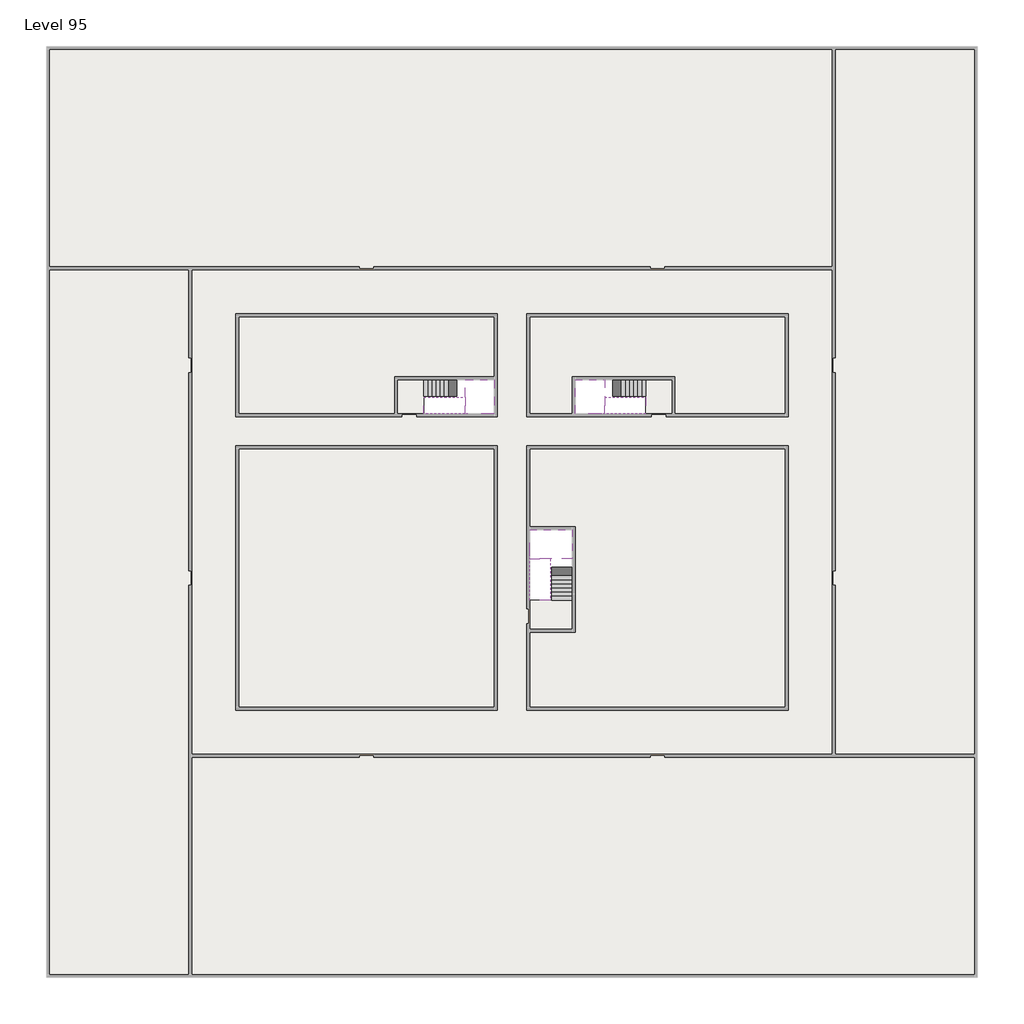
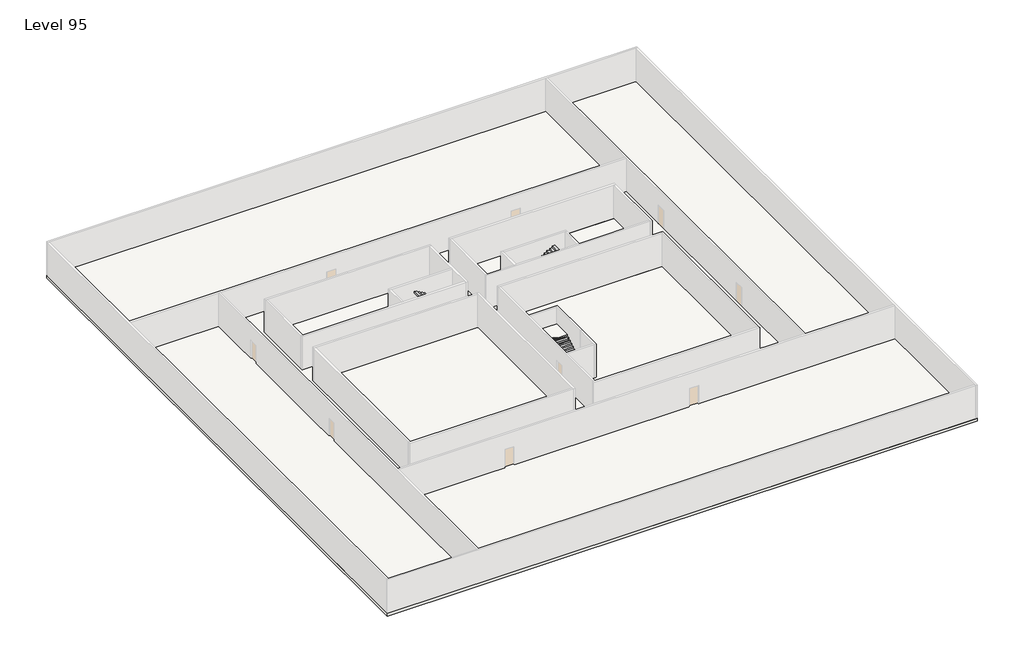
# One storey, part 2 of 2: 6 slabs, 6 stair flights.
"""IFC4 building model written with IfcOpenShell, lengths in millimetres."""

from ifc_helpers import new_model, si_unit, frame, origin, place, context, project, spatial, polyline, outline, extrude, faceted_brep, element, save

model = new_model("IFC4")

# Units and contexts
model_context = context("Model", 3, world=origin())
ifc_project = project(units=[si_unit("LENGTHUNIT", "METRE", prefix="MILLI")], contexts=[model_context])

# Site, building, storey
site = spatial("IfcSite", under=ifc_project)
building = spatial("IfcBuilding", under=site)
storey = spatial("IfcBuildingStorey", under=building, Name="Level 95", Elevation=357200.0)

# Slabs
placement = place(None, origin())
element("IfcSlab", 1, at=placement, inside=storey, context=model_context, shape_type="SweptSolid", body=[
    extrude(outline(polyline([(55890.1058784, -5518.09644), (55890.1058784, -68918.09644), (-7509.8941216, -68918.09644), (-7509.8941216, -5518.09644), (55890.1058784, -5518.09644)]), holes=[polyline([(22990.1058784, -23918.09644), (5590.1058784, -23918.09644), (5590.1058784, -30518.09644), (22990.1058784, -30518.09644), (22990.1058784, -23918.09644)]), polyline([(42990.1058784, -23918.09644), (25390.1058784, -23918.09644), (25390.1058784, -30518.09644), (42990.1058784, -30518.09644), (42990.1058784, -23918.09644)]), polyline([(25390.1058784, -50518.09644), (42790.1058784, -50518.09644), (42790.1058784, -32918.09644), (25390.1058784, -32918.09644), (25390.1058784, -50518.09644)]), polyline([(22990.1058784, -32918.09644), (5590.1058784, -32918.09644), (5590.1058784, -50518.09644), (22990.1058784, -50518.09644), (22990.1058784, -32918.09644)])]), frame((0.0, 0.0, 356900.0), z_axis=(0.0, 0.0, 1.0), x_axis=(1.0, 0.0, 0.0)), (0.0, 0.0, 1.0), 300.0),
])
element("IfcSlab", 2, at=placement, inside=storey, context=model_context, shape_type="SweptSolid", body=[
    extrude(outline(polyline([(22990.1058784, -23918.09644), (22990.1058784, -28018.09644), (16190.1058784, -28018.09644), (16190.1058784, -30518.09644), (5590.1058784, -30518.09644), (5590.1058784, -23918.09644), (22990.1058784, -23918.09644)])), frame((0.0, 0.0, 356900.0), z_axis=(0.0, 0.0, 1.0), x_axis=(1.0, 0.0, 0.0)), (0.0, 0.0, 1.0), 300.0),
    extrude(outline(polyline([(42790.1058784, -23918.09644), (42790.1058784, -30518.09644), (35290.1058784, -30518.09644), (35290.1058784, -28018.09644), (28490.1058784, -28018.09644), (28490.1058784, -30518.09644), (25390.1058784, -30518.09644), (25390.1058784, -23918.09644), (42790.1058784, -23918.09644)])), frame((0.0, 0.0, 356900.0), z_axis=(0.0, 0.0, 1.0), x_axis=(1.0, 0.0, 0.0)), (0.0, 0.0, 1.0), 300.0),
    extrude(outline(polyline([(22990.1058784, -32918.09644), (22990.1058784, -50518.09644), (5590.1058784, -50518.09644), (5590.1058784, -32918.09644), (22990.1058784, -32918.09644)])), frame((0.0, 0.0, 356900.0), z_axis=(0.0, 0.0, 1.0), x_axis=(1.0, 0.0, 0.0)), (0.0, 0.0, 1.0), 300.0),
    extrude(outline(polyline([(25390.1058784, -38218.09644), (25390.1058784, -32918.09644), (42790.1058784, -32918.09644), (42790.1058784, -50518.09644), (25390.1058784, -50518.09644), (25390.1058784, -45418.09644), (28490.1058784, -45418.09644), (28490.1058784, -38218.09644), (25390.1058784, -38218.09644)])), frame((0.0, 0.0, 356900.0), z_axis=(0.0, 0.0, 1.0), x_axis=(1.0, 0.0, 0.0)), (0.0, 0.0, 1.0), 300.0),
])
element("IfcSlab", 3, at=placement, inside=storey, context=model_context, shape_type="Brep", body=[
    faceted_brep([(26890.1058784, -40418.09644, 359100.0), (28290.1058784, -40418.09644, 359100.0), (28290.1058784, -40338.7100038, 359100.0), (28290.1058784, -38418.09644, 359100.0), (25390.1058784, -38418.09644, 359100.0), (25390.1058784, -40217.4828763, 359100.0), (25390.1058784, -40418.09644, 359100.0), (26790.1058784, -40418.09644, 359100.0), (26890.1058784, -40418.09644, 358800.0), (26890.1058784, -40418.09644, 358751.0278478), (28290.1058784, -40418.09644, 358751.0278478), (28290.1058784, -40418.09644, 358927.2727273), (28290.1058784, -40338.7100038, 358800.0), (28290.1058784, -38418.09644, 358800.0), (25390.1058784, -38418.09644, 358800.0), (25390.1058784, -40217.4828763, 358800.0), (25390.1058784, -40418.09644, 358923.7551205), (26790.1058784, -40418.09644, 358923.7551205), (26790.1058784, -40418.09644, 358800.0), (26790.1058784, -40217.4828763, 358800.0), (26890.1058784, -40338.7100038, 358800.0)], [[[0, 1, 2, 3, 4, 5, 6, 7]], [[1, 0, 8, 9, 10, 11]], [[1, 11, 10, 12, 13, 3, 2]], [[4, 3, 13, 14]], [[4, 14, 15, 16, 6, 5]], [[7, 6, 16, 17]], [[0, 7, 17, 18, 8]], [[18, 19, 15, 14, 13, 12, 20, 8]], [[19, 18, 17]], [[20, 12, 10, 9]], [[8, 20, 9]], [[15, 19, 17, 16]]]),
])
element("IfcSlab", 4, at=placement, inside=storey, context=model_context, shape_type="Brep", body=[
    faceted_brep([(20990.1058784, -28218.09644, 359100.0), (20990.1058784, -29318.09644, 359100.0), (20990.1058784, -29418.09644, 359100.0), (20990.1058784, -30518.09644, 359100.0), (21190.7194421, -30518.09644, 359100.0), (22990.1058784, -30518.09644, 359100.0), (22990.1058784, -28218.09644, 359100.0), (21069.4923146, -28218.09644, 359100.0), (20990.1058784, -28218.09644, 358927.2727273), (20990.1058784, -28218.09644, 358751.0278478), (20990.1058784, -29318.09644, 358751.0278478), (20990.1058784, -29318.09644, 358800.0), (20990.1058784, -29418.09644, 358800.0), (20990.1058784, -29418.09644, 358923.7551205), (20990.1058784, -30518.09644, 358923.7551205), (21190.7194421, -30518.09644, 358800.0), (22990.1058784, -30518.09644, 358800.0), (22990.1058784, -28218.09644, 358800.0), (21069.4923146, -28218.09644, 358800.0), (21190.7194421, -29418.09644, 358800.0), (21069.4923146, -29318.09644, 358800.0)], [[[0, 1, 2, 3, 4, 5, 6, 7]], [[1, 0, 8, 9, 10, 11]], [[2, 1, 11, 12, 13]], [[3, 2, 13, 14]], [[3, 14, 15, 16, 5, 4]], [[6, 5, 16, 17]], [[9, 8, 0, 7, 6, 17, 18]], [[19, 12, 11, 20, 18, 17, 16, 15]], [[12, 19, 13]], [[18, 20, 10, 9]], [[20, 11, 10]], [[19, 15, 14, 13]]]),
])
element("IfcSlab", 5, at=placement, inside=storey, context=model_context, shape_type="Brep", body=[
    faceted_brep([(30490.1058784, -29318.09644, 359100.0), (30490.1058784, -28218.09644, 359100.0), (30410.7194421, -28218.09644, 359100.0), (28490.1058784, -28218.09644, 359100.0), (28490.1058784, -30518.09644, 359100.0), (30289.4923146, -30518.09644, 359100.0), (30490.1058784, -30518.09644, 359100.0), (30490.1058784, -29418.09644, 359100.0), (30490.1058784, -29318.09644, 358800.0), (30490.1058784, -29318.09644, 358751.0278478), (30490.1058784, -28218.09644, 358751.0278478), (30490.1058784, -28218.09644, 358927.2727273), (30490.1058784, -29418.09644, 358923.7551205), (30490.1058784, -29418.09644, 358800.0), (30490.1058784, -30518.09644, 358923.7551205), (28490.1058784, -30518.09644, 358800.0), (30289.4923146, -30518.09644, 358800.0), (28490.1058784, -28218.09644, 358800.0), (30410.7194421, -28218.09644, 358800.0), (30289.4923146, -29418.09644, 358800.0), (30410.7194421, -29318.09644, 358800.0)], [[[0, 1, 2, 3, 4, 5, 6, 7]], [[1, 0, 8, 9, 10, 11]], [[0, 7, 12, 13, 8]], [[7, 6, 14, 12]], [[4, 15, 16, 14, 6, 5]], [[4, 3, 17, 15]], [[1, 11, 10, 18, 17, 3, 2]], [[13, 19, 16, 15, 17, 18, 20, 8]], [[20, 18, 10, 9]], [[8, 20, 9]], [[16, 19, 12, 14]], [[19, 13, 12]]]),
])
element("IfcSlab", 6, at=placement, inside=storey, context=model_context, shape_type="SweptSolid", body=[
    extrude(outline(polyline([(35090.1058784, -28218.09644), (35090.1058784, -30518.09644), (33290.1058784, -30518.09644), (33290.1058784, -28218.09644), (35090.1058784, -28218.09644)])), frame((0.0, 0.0, 356900.0), z_axis=(0.0, 0.0, 1.0), x_axis=(1.0, 0.0, 0.0)), (0.0, 0.0, 1.0), 300.0),
    extrude(outline(polyline([(18190.1058784, -28218.09644), (18190.1058784, -30518.09644), (16390.1058784, -30518.09644), (16390.1058784, -28218.09644), (18190.1058784, -28218.09644)])), frame((0.0, 0.0, 356900.0), z_axis=(0.0, 0.0, 1.0), x_axis=(1.0, 0.0, 0.0)), (0.0, 0.0, 1.0), 300.0),
    extrude(outline(polyline([(28290.1058784, -43218.09644), (28290.1058784, -45218.09644), (25390.1058784, -45218.09644), (25390.1058784, -43218.09644), (28290.1058784, -43218.09644)])), frame((0.0, 0.0, 356900.0), z_axis=(0.0, 0.0, 1.0), x_axis=(1.0, 0.0, 0.0)), (0.0, 0.0, 1.0), 300.0),
])

# Stair flights
element("IfcStairFlight", 7, at=placement, inside=storey, context=model_context, shape_type="Brep", body=[
    faceted_brep([(26890.1058784, -42938.09644, 357372.7272727), (26890.1058784, -43218.09644, 357372.7272727), (28290.1058784, -43218.09644, 357372.7272727), (28290.1058784, -42938.09644, 357372.7272727), (26890.1058784, -42938.09644, 357200.0), (26890.1058784, -43218.09644, 357200.0), (28290.1058784, -43218.09644, 357200.0), (28290.1058784, -42938.09644, 357200.0), (26890.1058784, -42658.09644, 357545.4545455), (26890.1058784, -42938.09644, 357545.4545455), (28290.1058784, -42938.09644, 357545.4545455), (28290.1058784, -42658.09644, 357545.4545455), (26890.1058784, -42658.09644, 357369.209666), (26890.1058784, -42932.3942143, 357200.0), (28290.1058784, -42932.3942143, 357200.0), (28290.1058784, -42658.09644, 357369.209666), (26890.1058784, -42378.09644, 357718.1818182), (26890.1058784, -42658.09644, 357718.1818182), (28290.1058784, -42658.09644, 357718.1818182), (28290.1058784, -42378.09644, 357718.1818182), (26890.1058784, -42378.09644, 357541.9369387), (28290.1058784, -42378.09644, 357541.9369387), (26890.1058784, -42098.09644, 357890.9090909), (26890.1058784, -42378.09644, 357890.9090909), (28290.1058784, -42378.09644, 357890.9090909), (28290.1058784, -42098.09644, 357890.9090909), (26890.1058784, -42098.09644, 357714.6642114), (28290.1058784, -42098.09644, 357714.6642114), (26890.1058784, -41818.09644, 358063.6363636), (26890.1058784, -42098.09644, 358063.6363636), (28290.1058784, -42098.09644, 358063.6363636), (28290.1058784, -41818.09644, 358063.6363636), (26890.1058784, -41818.09644, 357887.3914841), (28290.1058784, -41818.09644, 357887.3914841), (26890.1058784, -41538.09644, 358236.3636364), (26890.1058784, -41818.09644, 358236.3636364), (28290.1058784, -41818.09644, 358236.3636364), (28290.1058784, -41538.09644, 358236.3636364), (26890.1058784, -41538.09644, 358060.1187569), (28290.1058784, -41538.09644, 358060.1187569), (26890.1058784, -41258.09644, 358409.0909091), (26890.1058784, -41538.09644, 358409.0909091), (28290.1058784, -41538.09644, 358409.0909091), (28290.1058784, -41258.09644, 358409.0909091), (26890.1058784, -41258.09644, 358232.8460296), (28290.1058784, -41258.09644, 358232.8460296), (26890.1058784, -40978.09644, 358581.8181818), (26890.1058784, -41258.09644, 358581.8181818), (28290.1058784, -41258.09644, 358581.8181818), (28290.1058784, -40978.09644, 358581.8181818), (26890.1058784, -40978.09644, 358405.5733023), (28290.1058784, -40978.09644, 358405.5733023), (26890.1058784, -40698.09644, 358754.5454545), (26890.1058784, -40978.09644, 358754.5454545), (28290.1058784, -40978.09644, 358754.5454545), (28290.1058784, -40698.09644, 358754.5454545), (26890.1058784, -40698.09644, 358578.3005751), (28290.1058784, -40698.09644, 358578.3005751), (26890.1058784, -40418.09644, 358927.2727273), (26890.1058784, -40698.09644, 358927.2727273), (28290.1058784, -40698.09644, 358927.2727273), (28290.1058784, -40418.09644, 358927.2727273), (26890.1058784, -40418.09644, 358800.0), (26890.1058784, -40418.09644, 358751.0278478), (28290.1058784, -40418.09644, 358751.0278478)], [[[0, 1, 2, 3]], [[1, 0, 4, 5]], [[2, 1, 5, 6]], [[3, 2, 6, 7]], [[8, 9, 10, 11]], [[4, 0, 9, 8, 12, 13]], [[0, 3, 10, 9]], [[3, 7, 14, 15, 11, 10]], [[16, 17, 18, 19]], [[17, 16, 20, 12, 8]], [[8, 11, 18, 17]], [[19, 18, 11, 15, 21]], [[22, 23, 24, 25]], [[23, 22, 26, 20, 16]], [[16, 19, 24, 23]], [[25, 24, 19, 21, 27]], [[28, 29, 30, 31]], [[29, 28, 32, 26, 22]], [[22, 25, 30, 29]], [[31, 30, 25, 27, 33]], [[34, 35, 36, 37]], [[35, 34, 38, 32, 28]], [[28, 31, 36, 35]], [[37, 36, 31, 33, 39]], [[40, 41, 42, 43]], [[41, 40, 44, 38, 34]], [[34, 37, 42, 41]], [[43, 42, 37, 39, 45]], [[46, 47, 48, 49]], [[47, 46, 50, 44, 40]], [[40, 43, 48, 47]], [[49, 48, 43, 45, 51]], [[52, 53, 54, 55]], [[53, 52, 56, 50, 46]], [[46, 49, 54, 53]], [[55, 54, 49, 51, 57]], [[58, 59, 60, 61]], [[59, 58, 62, 63, 56, 52]], [[52, 55, 60, 59]], [[61, 60, 55, 57, 64]], [[58, 61, 64, 63, 62]], [[5, 4, 13, 14, 7, 6]], [[14, 13, 12, 20, 26, 32, 38, 44, 50, 56, 63, 64, 57, 51, 45, 39, 33, 27, 21, 15]]]),
])
element("IfcStairFlight", 8, at=placement, inside=storey, context=model_context, shape_type="Brep", body=[
    faceted_brep([(26790.1058784, -40698.09644, 359272.7272727), (26790.1058784, -40418.09644, 359272.7272727), (25390.1058784, -40418.09644, 359272.7272727), (25390.1058784, -40698.09644, 359272.7272727), (26790.1058784, -40698.09644, 359096.4823932), (26790.1058784, -40418.09644, 358923.7551205), (25390.1058784, -40418.09644, 358923.7551205), (25390.1058784, -40418.09644, 359100.0), (25390.1058784, -40698.09644, 359096.4823932), (26790.1058784, -40978.09644, 359445.4545455), (26790.1058784, -40698.09644, 359445.4545455), (25390.1058784, -40698.09644, 359445.4545455), (25390.1058784, -40978.09644, 359445.4545455), (26790.1058784, -40978.09644, 359269.209666), (25390.1058784, -40978.09644, 359269.209666), (26790.1058784, -41258.09644, 359618.1818182), (26790.1058784, -40978.09644, 359618.1818182), (25390.1058784, -40978.09644, 359618.1818182), (25390.1058784, -41258.09644, 359618.1818182), (26790.1058784, -41258.09644, 359441.9369387), (25390.1058784, -41258.09644, 359441.9369387), (26790.1058784, -41538.09644, 359790.9090909), (26790.1058784, -41258.09644, 359790.9090909), (25390.1058784, -41258.09644, 359790.9090909), (25390.1058784, -41538.09644, 359790.9090909), (26790.1058784, -41538.09644, 359614.6642114), (25390.1058784, -41538.09644, 359614.6642114), (26790.1058784, -41818.09644, 359963.6363636), (26790.1058784, -41538.09644, 359963.6363636), (25390.1058784, -41538.09644, 359963.6363636), (25390.1058784, -41818.09644, 359963.6363636), (26790.1058784, -41818.09644, 359787.3914841), (25390.1058784, -41818.09644, 359787.3914841), (26790.1058784, -42098.09644, 360136.3636364), (26790.1058784, -41818.09644, 360136.3636364), (25390.1058784, -41818.09644, 360136.3636364), (25390.1058784, -42098.09644, 360136.3636364), (26790.1058784, -42098.09644, 359960.1187569), (25390.1058784, -42098.09644, 359960.1187569), (26790.1058784, -42378.09644, 360309.0909091), (26790.1058784, -42098.09644, 360309.0909091), (25390.1058784, -42098.09644, 360309.0909091), (25390.1058784, -42378.09644, 360309.0909091), (26790.1058784, -42378.09644, 360132.8460296), (25390.1058784, -42378.09644, 360132.8460296), (26790.1058784, -42658.09644, 360481.8181818), (26790.1058784, -42378.09644, 360481.8181818), (25390.1058784, -42378.09644, 360481.8181818), (25390.1058784, -42658.09644, 360481.8181818), (26790.1058784, -42658.09644, 360305.5733023), (25390.1058784, -42658.09644, 360305.5733023), (26790.1058784, -42938.09644, 360654.5454545), (26790.1058784, -42658.09644, 360654.5454545), (25390.1058784, -42658.09644, 360654.5454545), (25390.1058784, -42938.09644, 360654.5454545), (26790.1058784, -42938.09644, 360478.3005751), (25390.1058784, -42938.09644, 360478.3005751), (26790.1058784, -43218.09644, 360827.2727273), (26790.1058784, -42938.09644, 360827.2727273), (25390.1058784, -42938.09644, 360827.2727273), (25390.1058784, -43218.09644, 360827.2727273), (26790.1058784, -43218.09644, 360651.0278478), (25390.1058784, -43218.09644, 360651.0278478)], [[[0, 1, 2, 3]], [[1, 0, 4, 5]], [[2, 1, 5, 6, 7]], [[3, 2, 7, 6, 8]], [[9, 10, 11, 12]], [[10, 9, 13, 4, 0]], [[11, 10, 0, 3]], [[12, 11, 3, 8, 14]], [[15, 16, 17, 18]], [[16, 15, 19, 13, 9]], [[17, 16, 9, 12]], [[18, 17, 12, 14, 20]], [[21, 22, 23, 24]], [[22, 21, 25, 19, 15]], [[23, 22, 15, 18]], [[24, 23, 18, 20, 26]], [[27, 28, 29, 30]], [[28, 27, 31, 25, 21]], [[29, 28, 21, 24]], [[30, 29, 24, 26, 32]], [[33, 34, 35, 36]], [[34, 33, 37, 31, 27]], [[35, 34, 27, 30]], [[36, 35, 30, 32, 38]], [[39, 40, 41, 42]], [[40, 39, 43, 37, 33]], [[41, 40, 33, 36]], [[42, 41, 36, 38, 44]], [[45, 46, 47, 48]], [[46, 45, 49, 43, 39]], [[47, 46, 39, 42]], [[48, 47, 42, 44, 50]], [[51, 52, 53, 54]], [[52, 51, 55, 49, 45]], [[53, 52, 45, 48]], [[54, 53, 48, 50, 56]], [[57, 58, 59, 60]], [[58, 57, 61, 55, 51]], [[59, 58, 51, 54]], [[60, 59, 54, 56, 62]], [[57, 60, 62, 61]], [[5, 4, 13, 19, 25, 31, 37, 43, 49, 55, 61, 62, 56, 50, 44, 38, 32, 26, 20, 14, 8, 6]]]),
])
element("IfcStairFlight", 9, at=placement, inside=storey, context=model_context, shape_type="Brep", body=[
    faceted_brep([(18470.1058784, -28218.09644, 357372.7272727), (18190.1058784, -28218.09644, 357372.7272727), (18190.1058784, -29318.09644, 357372.7272727), (18470.1058784, -29318.09644, 357372.7272727), (18470.1058784, -28218.09644, 357200.0), (18190.1058784, -28218.09644, 357200.0), (18190.1058784, -29318.09644, 357200.0), (18470.1058784, -29318.09644, 357200.0), (18750.1058784, -28218.09644, 357545.4545455), (18470.1058784, -28218.09644, 357545.4545455), (18470.1058784, -29318.09644, 357545.4545455), (18750.1058784, -29318.09644, 357545.4545455), (18750.1058784, -28218.09644, 357369.209666), (18475.8081041, -28218.09644, 357200.0), (18475.8081041, -29318.09644, 357200.0), (18750.1058784, -29318.09644, 357369.209666), (19030.1058784, -28218.09644, 357718.1818182), (18750.1058784, -28218.09644, 357718.1818182), (18750.1058784, -29318.09644, 357718.1818182), (19030.1058784, -29318.09644, 357718.1818182), (19030.1058784, -28218.09644, 357541.9369387), (19030.1058784, -29318.09644, 357541.9369387), (19310.1058784, -28218.09644, 357890.9090909), (19030.1058784, -28218.09644, 357890.9090909), (19030.1058784, -29318.09644, 357890.9090909), (19310.1058784, -29318.09644, 357890.9090909), (19310.1058784, -28218.09644, 357714.6642114), (19310.1058784, -29318.09644, 357714.6642114), (19590.1058784, -28218.09644, 358063.6363636), (19310.1058784, -28218.09644, 358063.6363636), (19310.1058784, -29318.09644, 358063.6363636), (19590.1058784, -29318.09644, 358063.6363636), (19590.1058784, -28218.09644, 357887.3914841), (19590.1058784, -29318.09644, 357887.3914841), (19870.1058784, -28218.09644, 358236.3636364), (19590.1058784, -28218.09644, 358236.3636364), (19590.1058784, -29318.09644, 358236.3636364), (19870.1058784, -29318.09644, 358236.3636364), (19870.1058784, -28218.09644, 358060.1187569), (19870.1058784, -29318.09644, 358060.1187569), (20150.1058784, -28218.09644, 358409.0909091), (19870.1058784, -28218.09644, 358409.0909091), (19870.1058784, -29318.09644, 358409.0909091), (20150.1058784, -29318.09644, 358409.0909091), (20150.1058784, -28218.09644, 358232.8460296), (20150.1058784, -29318.09644, 358232.8460296), (20430.1058784, -28218.09644, 358581.8181818), (20150.1058784, -28218.09644, 358581.8181818), (20150.1058784, -29318.09644, 358581.8181818), (20430.1058784, -29318.09644, 358581.8181818), (20430.1058784, -28218.09644, 358405.5733023), (20430.1058784, -29318.09644, 358405.5733023), (20710.1058784, -28218.09644, 358754.5454545), (20430.1058784, -28218.09644, 358754.5454545), (20430.1058784, -29318.09644, 358754.5454545), (20710.1058784, -29318.09644, 358754.5454545), (20710.1058784, -28218.09644, 358578.3005751), (20710.1058784, -29318.09644, 358578.3005751), (20990.1058784, -28218.09644, 358927.2727273), (20710.1058784, -28218.09644, 358927.2727273), (20710.1058784, -29318.09644, 358927.2727273), (20990.1058784, -29318.09644, 358927.2727273), (20990.1058784, -28218.09644, 358751.0278478), (20990.1058784, -29318.09644, 358751.0278478), (20990.1058784, -29318.09644, 358800.0)], [[[0, 1, 2, 3]], [[1, 0, 4, 5]], [[2, 1, 5, 6]], [[3, 2, 6, 7]], [[8, 9, 10, 11]], [[4, 0, 9, 8, 12, 13]], [[0, 3, 10, 9]], [[3, 7, 14, 15, 11, 10]], [[16, 17, 18, 19]], [[17, 16, 20, 12, 8]], [[8, 11, 18, 17]], [[19, 18, 11, 15, 21]], [[22, 23, 24, 25]], [[23, 22, 26, 20, 16]], [[16, 19, 24, 23]], [[25, 24, 19, 21, 27]], [[28, 29, 30, 31]], [[29, 28, 32, 26, 22]], [[22, 25, 30, 29]], [[31, 30, 25, 27, 33]], [[34, 35, 36, 37]], [[35, 34, 38, 32, 28]], [[28, 31, 36, 35]], [[37, 36, 31, 33, 39]], [[40, 41, 42, 43]], [[41, 40, 44, 38, 34]], [[34, 37, 42, 41]], [[43, 42, 37, 39, 45]], [[46, 47, 48, 49]], [[47, 46, 50, 44, 40]], [[40, 43, 48, 47]], [[49, 48, 43, 45, 51]], [[52, 53, 54, 55]], [[53, 52, 56, 50, 46]], [[46, 49, 54, 53]], [[55, 54, 49, 51, 57]], [[58, 59, 60, 61]], [[59, 58, 62, 56, 52]], [[52, 55, 60, 59]], [[61, 60, 55, 57, 63, 64]], [[58, 61, 64, 63, 62]], [[5, 4, 13, 14, 7, 6]], [[14, 13, 12, 20, 26, 32, 38, 44, 50, 56, 62, 63, 57, 51, 45, 39, 33, 27, 21, 15]]]),
])
element("IfcStairFlight", 10, at=placement, inside=storey, context=model_context, shape_type="Brep", body=[
    faceted_brep([(20710.1058784, -30518.09644, 359272.7272727), (20990.1058784, -30518.09644, 359272.7272727), (20990.1058784, -29418.09644, 359272.7272727), (20710.1058784, -29418.09644, 359272.7272727), (20710.1058784, -30518.09644, 359096.4823932), (20990.1058784, -30518.09644, 358923.7551205), (20990.1058784, -30518.09644, 359100.0), (20990.1058784, -29418.09644, 358923.7551205), (20710.1058784, -29418.09644, 359096.4823932), (20430.1058784, -30518.09644, 359445.4545455), (20710.1058784, -30518.09644, 359445.4545455), (20710.1058784, -29418.09644, 359445.4545455), (20430.1058784, -29418.09644, 359445.4545455), (20430.1058784, -30518.09644, 359269.209666), (20430.1058784, -29418.09644, 359269.209666), (20150.1058784, -30518.09644, 359618.1818182), (20430.1058784, -30518.09644, 359618.1818182), (20430.1058784, -29418.09644, 359618.1818182), (20150.1058784, -29418.09644, 359618.1818182), (20150.1058784, -30518.09644, 359441.9369387), (20150.1058784, -29418.09644, 359441.9369387), (19870.1058784, -30518.09644, 359790.9090909), (20150.1058784, -30518.09644, 359790.9090909), (20150.1058784, -29418.09644, 359790.9090909), (19870.1058784, -29418.09644, 359790.9090909), (19870.1058784, -30518.09644, 359614.6642114), (19870.1058784, -29418.09644, 359614.6642114), (19590.1058784, -30518.09644, 359963.6363636), (19870.1058784, -30518.09644, 359963.6363636), (19870.1058784, -29418.09644, 359963.6363636), (19590.1058784, -29418.09644, 359963.6363636), (19590.1058784, -30518.09644, 359787.3914841), (19590.1058784, -29418.09644, 359787.3914841), (19310.1058784, -30518.09644, 360136.3636364), (19590.1058784, -30518.09644, 360136.3636364), (19590.1058784, -29418.09644, 360136.3636364), (19310.1058784, -29418.09644, 360136.3636364), (19310.1058784, -30518.09644, 359960.1187569), (19310.1058784, -29418.09644, 359960.1187569), (19030.1058784, -30518.09644, 360309.0909091), (19310.1058784, -30518.09644, 360309.0909091), (19310.1058784, -29418.09644, 360309.0909091), (19030.1058784, -29418.09644, 360309.0909091), (19030.1058784, -30518.09644, 360132.8460296), (19030.1058784, -29418.09644, 360132.8460296), (18750.1058784, -30518.09644, 360481.8181818), (19030.1058784, -30518.09644, 360481.8181818), (19030.1058784, -29418.09644, 360481.8181818), (18750.1058784, -29418.09644, 360481.8181818), (18750.1058784, -30518.09644, 360305.5733023), (18750.1058784, -29418.09644, 360305.5733023), (18470.1058784, -30518.09644, 360654.5454545), (18750.1058784, -30518.09644, 360654.5454545), (18750.1058784, -29418.09644, 360654.5454545), (18470.1058784, -29418.09644, 360654.5454545), (18470.1058784, -30518.09644, 360478.3005751), (18470.1058784, -29418.09644, 360478.3005751), (18190.1058784, -30518.09644, 360827.2727273), (18470.1058784, -30518.09644, 360827.2727273), (18470.1058784, -29418.09644, 360827.2727273), (18190.1058784, -29418.09644, 360827.2727273), (18190.1058784, -30518.09644, 360651.0278478), (18190.1058784, -29418.09644, 360651.0278478)], [[[0, 1, 2, 3]], [[1, 0, 4, 5, 6]], [[2, 1, 6, 5, 7]], [[3, 2, 7, 8]], [[9, 10, 11, 12]], [[10, 9, 13, 4, 0]], [[11, 10, 0, 3]], [[12, 11, 3, 8, 14]], [[15, 16, 17, 18]], [[16, 15, 19, 13, 9]], [[17, 16, 9, 12]], [[18, 17, 12, 14, 20]], [[21, 22, 23, 24]], [[22, 21, 25, 19, 15]], [[23, 22, 15, 18]], [[24, 23, 18, 20, 26]], [[27, 28, 29, 30]], [[28, 27, 31, 25, 21]], [[29, 28, 21, 24]], [[30, 29, 24, 26, 32]], [[33, 34, 35, 36]], [[34, 33, 37, 31, 27]], [[35, 34, 27, 30]], [[36, 35, 30, 32, 38]], [[39, 40, 41, 42]], [[40, 39, 43, 37, 33]], [[41, 40, 33, 36]], [[42, 41, 36, 38, 44]], [[45, 46, 47, 48]], [[46, 45, 49, 43, 39]], [[47, 46, 39, 42]], [[48, 47, 42, 44, 50]], [[51, 52, 53, 54]], [[52, 51, 55, 49, 45]], [[53, 52, 45, 48]], [[54, 53, 48, 50, 56]], [[57, 58, 59, 60]], [[58, 57, 61, 55, 51]], [[59, 58, 51, 54]], [[60, 59, 54, 56, 62]], [[57, 60, 62, 61]], [[5, 4, 13, 19, 25, 31, 37, 43, 49, 55, 61, 62, 56, 50, 44, 38, 32, 26, 20, 14, 8, 7]]]),
])
element("IfcStairFlight", 11, at=placement, inside=storey, context=model_context, shape_type="Brep", body=[
    faceted_brep([(33010.1058784, -29318.09644, 357372.7272727), (33290.1058784, -29318.09644, 357372.7272727), (33290.1058784, -28218.09644, 357372.7272727), (33010.1058784, -28218.09644, 357372.7272727), (33290.1058784, -28218.09644, 357200.0), (33010.1058784, -28218.09644, 357200.0), (33290.1058784, -29318.09644, 357200.0), (33010.1058784, -29318.09644, 357200.0), (32730.1058784, -29318.09644, 357545.4545455), (33010.1058784, -29318.09644, 357545.4545455), (33010.1058784, -28218.09644, 357545.4545455), (32730.1058784, -28218.09644, 357545.4545455), (33004.4036527, -28218.09644, 357200.0), (32730.1058784, -28218.09644, 357369.209666), (32730.1058784, -29318.09644, 357369.209666), (33004.4036527, -29318.09644, 357200.0), (32450.1058784, -29318.09644, 357718.1818182), (32730.1058784, -29318.09644, 357718.1818182), (32730.1058784, -28218.09644, 357718.1818182), (32450.1058784, -28218.09644, 357718.1818182), (32450.1058784, -28218.09644, 357541.9369387), (32450.1058784, -29318.09644, 357541.9369387), (32170.1058784, -29318.09644, 357890.9090909), (32450.1058784, -29318.09644, 357890.9090909), (32450.1058784, -28218.09644, 357890.9090909), (32170.1058784, -28218.09644, 357890.9090909), (32170.1058784, -28218.09644, 357714.6642114), (32170.1058784, -29318.09644, 357714.6642114), (31890.1058784, -29318.09644, 358063.6363636), (32170.1058784, -29318.09644, 358063.6363636), (32170.1058784, -28218.09644, 358063.6363636), (31890.1058784, -28218.09644, 358063.6363636), (31890.1058784, -28218.09644, 357887.3914841), (31890.1058784, -29318.09644, 357887.3914841), (31610.1058784, -29318.09644, 358236.3636364), (31890.1058784, -29318.09644, 358236.3636364), (31890.1058784, -28218.09644, 358236.3636364), (31610.1058784, -28218.09644, 358236.3636364), (31610.1058784, -28218.09644, 358060.1187569), (31610.1058784, -29318.09644, 358060.1187569), (31330.1058784, -29318.09644, 358409.0909091), (31610.1058784, -29318.09644, 358409.0909091), (31610.1058784, -28218.09644, 358409.0909091), (31330.1058784, -28218.09644, 358409.0909091), (31330.1058784, -28218.09644, 358232.8460296), (31330.1058784, -29318.09644, 358232.8460296), (31050.1058784, -29318.09644, 358581.8181818), (31330.1058784, -29318.09644, 358581.8181818), (31330.1058784, -28218.09644, 358581.8181818), (31050.1058784, -28218.09644, 358581.8181818), (31050.1058784, -28218.09644, 358405.5733023), (31050.1058784, -29318.09644, 358405.5733023), (30770.1058784, -29318.09644, 358754.5454545), (31050.1058784, -29318.09644, 358754.5454545), (31050.1058784, -28218.09644, 358754.5454545), (30770.1058784, -28218.09644, 358754.5454545), (30770.1058784, -28218.09644, 358578.3005751), (30770.1058784, -29318.09644, 358578.3005751), (30490.1058784, -29318.09644, 358927.2727273), (30770.1058784, -29318.09644, 358927.2727273), (30770.1058784, -28218.09644, 358927.2727273), (30490.1058784, -28218.09644, 358927.2727273), (30490.1058784, -28218.09644, 358751.0278478), (30490.1058784, -29318.09644, 358800.0), (30490.1058784, -29318.09644, 358751.0278478)], [[[0, 1, 2, 3]], [[3, 2, 4, 5]], [[2, 1, 6, 4]], [[1, 0, 7, 6]], [[8, 9, 10, 11]], [[3, 5, 12, 13, 11, 10]], [[0, 3, 10, 9]], [[7, 0, 9, 8, 14, 15]], [[16, 17, 18, 19]], [[19, 18, 11, 13, 20]], [[8, 11, 18, 17]], [[17, 16, 21, 14, 8]], [[22, 23, 24, 25]], [[25, 24, 19, 20, 26]], [[16, 19, 24, 23]], [[23, 22, 27, 21, 16]], [[28, 29, 30, 31]], [[31, 30, 25, 26, 32]], [[22, 25, 30, 29]], [[29, 28, 33, 27, 22]], [[34, 35, 36, 37]], [[37, 36, 31, 32, 38]], [[28, 31, 36, 35]], [[35, 34, 39, 33, 28]], [[40, 41, 42, 43]], [[43, 42, 37, 38, 44]], [[34, 37, 42, 41]], [[41, 40, 45, 39, 34]], [[46, 47, 48, 49]], [[49, 48, 43, 44, 50]], [[40, 43, 48, 47]], [[47, 46, 51, 45, 40]], [[52, 53, 54, 55]], [[55, 54, 49, 50, 56]], [[46, 49, 54, 53]], [[53, 52, 57, 51, 46]], [[58, 59, 60, 61]], [[61, 60, 55, 56, 62]], [[52, 55, 60, 59]], [[59, 58, 63, 64, 57, 52]], [[58, 61, 62, 64, 63]], [[6, 7, 15, 12, 5, 4]], [[12, 15, 14, 21, 27, 33, 39, 45, 51, 57, 64, 62, 56, 50, 44, 38, 32, 26, 20, 13]]]),
])
element("IfcStairFlight", 12, at=placement, inside=storey, context=model_context, shape_type="Brep", body=[
    faceted_brep([(30770.1058784, -29418.09644, 359272.7272727), (30490.1058784, -29418.09644, 359272.7272727), (30490.1058784, -30518.09644, 359272.7272727), (30770.1058784, -30518.09644, 359272.7272727), (30490.1058784, -30518.09644, 359100.0), (30490.1058784, -30518.09644, 358923.7551205), (30770.1058784, -30518.09644, 359096.4823932), (30490.1058784, -29418.09644, 358923.7551205), (30770.1058784, -29418.09644, 359096.4823932), (31050.1058784, -29418.09644, 359445.4545455), (30770.1058784, -29418.09644, 359445.4545455), (30770.1058784, -30518.09644, 359445.4545455), (31050.1058784, -30518.09644, 359445.4545455), (31050.1058784, -30518.09644, 359269.209666), (31050.1058784, -29418.09644, 359269.209666), (31330.1058784, -29418.09644, 359618.1818182), (31050.1058784, -29418.09644, 359618.1818182), (31050.1058784, -30518.09644, 359618.1818182), (31330.1058784, -30518.09644, 359618.1818182), (31330.1058784, -30518.09644, 359441.9369387), (31330.1058784, -29418.09644, 359441.9369387), (31610.1058784, -29418.09644, 359790.9090909), (31330.1058784, -29418.09644, 359790.9090909), (31330.1058784, -30518.09644, 359790.9090909), (31610.1058784, -30518.09644, 359790.9090909), (31610.1058784, -30518.09644, 359614.6642114), (31610.1058784, -29418.09644, 359614.6642114), (31890.1058784, -29418.09644, 359963.6363636), (31610.1058784, -29418.09644, 359963.6363636), (31610.1058784, -30518.09644, 359963.6363636), (31890.1058784, -30518.09644, 359963.6363636), (31890.1058784, -30518.09644, 359787.3914841), (31890.1058784, -29418.09644, 359787.3914841), (32170.1058784, -29418.09644, 360136.3636364), (31890.1058784, -29418.09644, 360136.3636364), (31890.1058784, -30518.09644, 360136.3636364), (32170.1058784, -30518.09644, 360136.3636364), (32170.1058784, -30518.09644, 359960.1187569), (32170.1058784, -29418.09644, 359960.1187569), (32450.1058784, -29418.09644, 360309.0909091), (32170.1058784, -29418.09644, 360309.0909091), (32170.1058784, -30518.09644, 360309.0909091), (32450.1058784, -30518.09644, 360309.0909091), (32450.1058784, -30518.09644, 360132.8460296), (32450.1058784, -29418.09644, 360132.8460296), (32730.1058784, -29418.09644, 360481.8181818), (32450.1058784, -29418.09644, 360481.8181818), (32450.1058784, -30518.09644, 360481.8181818), (32730.1058784, -30518.09644, 360481.8181818), (32730.1058784, -30518.09644, 360305.5733023), (32730.1058784, -29418.09644, 360305.5733023), (33010.1058784, -29418.09644, 360654.5454545), (32730.1058784, -29418.09644, 360654.5454545), (32730.1058784, -30518.09644, 360654.5454545), (33010.1058784, -30518.09644, 360654.5454545), (33010.1058784, -30518.09644, 360478.3005751), (33010.1058784, -29418.09644, 360478.3005751), (33290.1058784, -29418.09644, 360827.2727273), (33010.1058784, -29418.09644, 360827.2727273), (33010.1058784, -30518.09644, 360827.2727273), (33290.1058784, -30518.09644, 360827.2727273), (33290.1058784, -30518.09644, 360651.0278478), (33290.1058784, -29418.09644, 360651.0278478)], [[[0, 1, 2, 3]], [[3, 2, 4, 5, 6]], [[2, 1, 7, 5, 4]], [[1, 0, 8, 7]], [[9, 10, 11, 12]], [[12, 11, 3, 6, 13]], [[11, 10, 0, 3]], [[10, 9, 14, 8, 0]], [[15, 16, 17, 18]], [[18, 17, 12, 13, 19]], [[17, 16, 9, 12]], [[16, 15, 20, 14, 9]], [[21, 22, 23, 24]], [[24, 23, 18, 19, 25]], [[23, 22, 15, 18]], [[22, 21, 26, 20, 15]], [[27, 28, 29, 30]], [[30, 29, 24, 25, 31]], [[29, 28, 21, 24]], [[28, 27, 32, 26, 21]], [[33, 34, 35, 36]], [[36, 35, 30, 31, 37]], [[35, 34, 27, 30]], [[34, 33, 38, 32, 27]], [[39, 40, 41, 42]], [[42, 41, 36, 37, 43]], [[41, 40, 33, 36]], [[40, 39, 44, 38, 33]], [[45, 46, 47, 48]], [[48, 47, 42, 43, 49]], [[47, 46, 39, 42]], [[46, 45, 50, 44, 39]], [[51, 52, 53, 54]], [[54, 53, 48, 49, 55]], [[53, 52, 45, 48]], [[52, 51, 56, 50, 45]], [[57, 58, 59, 60]], [[60, 59, 54, 55, 61]], [[59, 58, 51, 54]], [[58, 57, 62, 56, 51]], [[57, 60, 61, 62]], [[7, 8, 14, 20, 26, 32, 38, 44, 50, 56, 62, 61, 55, 49, 43, 37, 31, 25, 19, 13, 6, 5]]]),
])

save(model, "model.ifc")
